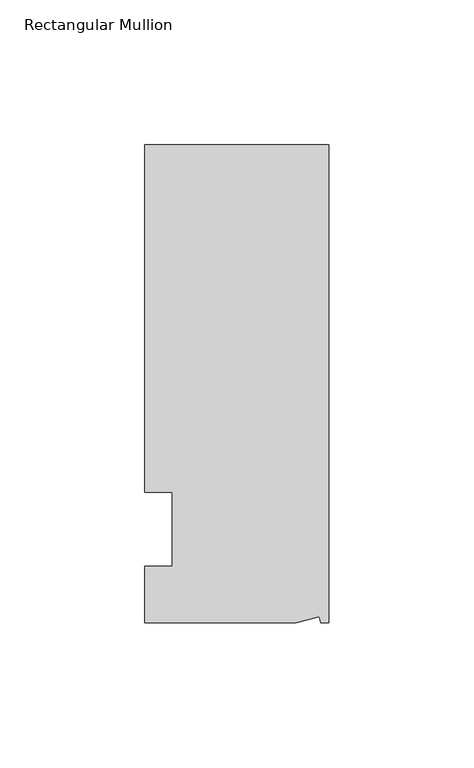
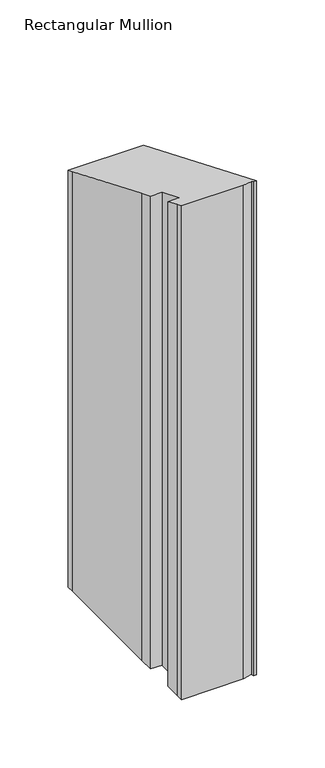
"""IFC4 building model written with IfcOpenShell, lengths in millimetres: member geometry, Rectangular Mullion."""

from ifc_helpers import new_model, si_unit, origin, place, context, project, spatial, faceted_brep, source, transform, mapped, element, save


def rectangular_mullion_7a83a1c1(model_context):
    return source(origin(), model_context, "Body", "Brep", [
        faceted_brep([(-3.3457217, -17.5748952, 7.2797599), (-11.1265412, -19.6597595, 8.143339), (-11.1265412, -19.6597595, -431.8), (-3.3457217, -17.5748952, -431.8), (-2.787084, -19.6597595, 8.143339), (-2.787084, -19.6597595, -431.8), (0.0, -19.6597595, 8.143339), (0.0, -19.6597595, -431.8), (0.0, 145.4402405, -60.2433201), (0.0, 145.4402405, -431.8), (-63.5, 145.4402405, -60.2433201), (-63.5, 145.4402405, -431.8), (-63.5, 38.3358837, -15.8792429), (-63.5, 139.091245, -57.6134801), (-63.5, 139.091245, -431.8), (-63.5, 38.3358837, -431.8), (-53.975, 25.4, -10.5210245), (-63.5, 25.4, -10.5210245), (-63.5, 25.4, -431.8), (-53.975, 25.4, -431.8), (-53.975, 0.0, 0.0), (-53.975, 0.0, -431.8), (-63.5, 0.0, 0.0), (-63.5, 0.0, -431.8), (-63.5, -13.6200033, 5.6415901), (-63.5, -13.6200033, -431.8), (-63.5, -19.6597595, 8.143339), (-63.5, -19.6597595, -431.8)], [[[0, 1, 2, 3]], [[4, 0, 3, 5]], [[6, 4, 5, 7]], [[8, 6, 7, 9]], [[10, 8, 9, 11]], [[12, 13, 14, 15]], [[16, 17, 18, 19]], [[20, 16, 19, 21]], [[22, 20, 21, 23]], [[24, 22, 23, 25]], [[1, 26, 27, 2]], [[1, 0, 4, 6, 8, 10, 13, 12, 17, 16, 20, 22, 24, 26]], [[2, 27, 25, 23, 21, 19, 18, 15, 14, 11, 9, 7, 5, 3]], [[13, 10, 11, 14]], [[17, 12, 15, 18]], [[26, 24, 25, 27]]]),
    ])


if __name__ == "__main__":
    model = new_model("IFC4")
    model_context = context("Model", 3, world=origin())
    ifc_project = project(units=[si_unit("LENGTHUNIT", "METRE", prefix="MILLI")], contexts=[model_context])
    site = spatial("IfcSite", under=ifc_project)
    building = spatial("IfcBuilding", under=site)
    placement = place(None, origin())
    rectangular_mullion_shape = rectangular_mullion_7a83a1c1(model_context)
    element("IfcMember", 1, ObjectType="Rectangular Mullion", at=placement, inside=building, context=model_context, shape_type="MappedRepresentation", body=[
        mapped(rectangular_mullion_shape, transform((0.0, 0.0, 0.0), x_axis=(1.0, 0.0, 0.0), y_axis=(0.0, 1.0, 0.0), z_axis=(0.0, 0.0, 1.0))),
    ])
    save(model, "model.ifc")
